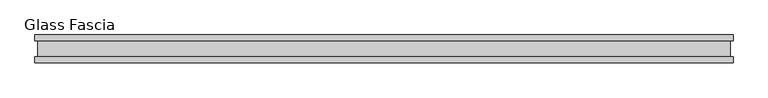
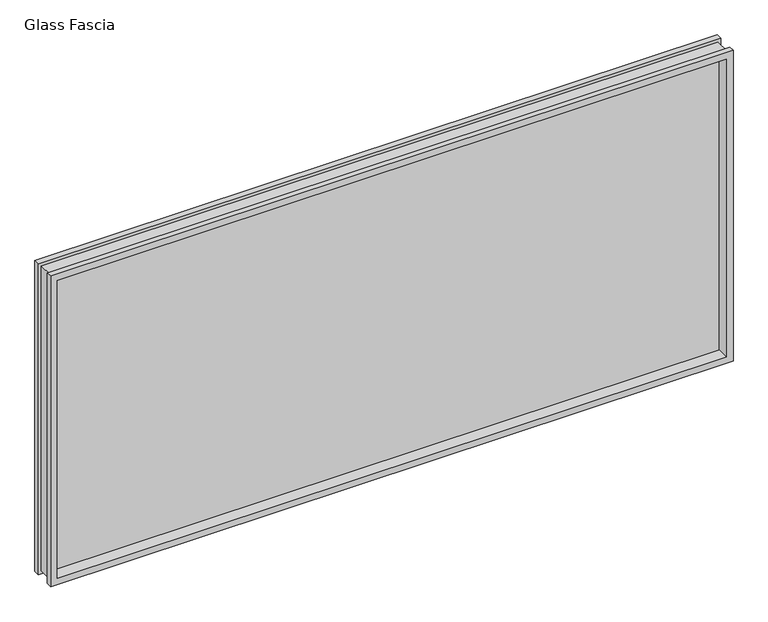
"""IFC4 building model written with IfcOpenShell, lengths in millimetres: proxy geometry, Glass Fascia."""

from ifc_helpers import new_model, si_unit, frame, origin, place, context, project, spatial, polyline, outline, extrude, faceted_brep, source, transform, mapped, element, save


def glass_fascia_b5f6f7ce(model_context):
    return source(origin(), model_context, "Body", "SolidModel", [
        faceted_brep([(1245.4046, -5.0827449, 1201.5625243), (1245.4046, 5.0827449, 1201.5625243), (1245.4046, 5.0827449, 17.6374757), (1245.4046, -5.0827449, 17.6374757), (1259.8670757, -28.8801202, 1216.025), (1259.8670757, -50.0558594, 1216.025), (1259.8670757, -50.0558594, 3.175), (1259.8670757, -28.8801202, 3.175), (1249.0420758, 28.2698798, 1205.2000001), (1249.0420758, -28.8801202, 1205.2000001), (1249.0420758, -28.8801202, 13.9999999), (1249.0420758, 28.2698798, 13.9999999), (1259.8670757, 50.0558594, 1216.025), (1259.8670757, 28.2698798, 1216.025), (1259.8670757, 28.2698798, 3.175), (1259.8670757, 50.0558594, 3.175), (-1245.4046, 5.0827449, 17.6374757), (-1245.4046, -5.0827449, 17.6374757), (-1259.8670757, -50.0558594, 3.175), (-1259.8670757, -28.8801202, 3.175), (-1249.0420758, -28.8801202, 13.9999999), (-1249.0420758, 28.2698798, 13.9999999), (-1259.8670757, 28.2698798, 3.175), (-1259.8670757, 50.0558594, 3.175), (-1245.4046, 5.0827449, 1201.5625243), (-1245.4046, -5.0827449, 1201.5625243), (-1259.8670757, -50.0558594, 1216.025), (-1259.8670757, -28.8801202, 1216.025), (-1249.0420758, -28.8801202, 1205.2000001), (-1249.0420758, 28.2698798, 1205.2000001), (-1259.8670757, 28.2698798, 1216.025), (-1259.8670757, 50.0558594, 1216.025), (1234.9144089, 50.0558594, 1191.0723332), (-1234.9144089, 50.0558594, 1191.0723332), (-1234.9144089, 50.0558594, 28.1276668), (1234.9144089, 50.0558594, 28.1276668), (1234.9144089, 5.0827449, 28.1276668), (-1234.9144089, 5.0827449, 28.1276668), (-1234.9144089, 5.0827449, 1191.0723332), (1234.9144089, 5.0827449, 1191.0723332), (1234.9144089, -5.0827449, 1191.0723332), (-1234.9144089, -5.0827449, 1191.0723332), (-1234.9144089, -5.0827449, 28.1276668), (1234.9144089, -5.0827449, 28.1276668), (1234.9144089, -50.0558594, 28.1276668), (-1234.9144089, -50.0558594, 28.1276668), (-1234.9144089, -50.0558594, 1191.0723332), (1234.9144089, -50.0558594, 1191.0723332)], [[[0, 1, 2, 3]], [[4, 5, 6, 7]], [[8, 9, 10, 11]], [[12, 13, 14, 15]], [[3, 2, 16, 17]], [[7, 6, 18, 19]], [[11, 10, 20, 21]], [[15, 14, 22, 23]], [[17, 16, 24, 25]], [[19, 18, 26, 27]], [[21, 20, 28, 29]], [[23, 22, 30, 31]], [[15, 23, 31, 12], [32, 33, 34, 35]], [[1, 24, 16, 2], [36, 37, 38, 39]], [[25, 24, 1, 0]], [[3, 17, 25, 0], [40, 41, 42, 43]], [[5, 26, 18, 6], [44, 45, 46, 47]], [[27, 26, 5, 4]], [[7, 19, 27, 4], [9, 28, 20, 10]], [[29, 28, 9, 8]], [[13, 30, 22, 14], [11, 21, 29, 8]], [[31, 30, 13, 12]], [[39, 32, 35, 36]], [[47, 40, 43, 44]], [[36, 35, 34, 37]], [[44, 43, 42, 45]], [[37, 34, 33, 38]], [[45, 42, 41, 46]], [[38, 33, 32, 39]], [[46, 41, 40, 47]]]),
        extrude(outline(polyline([(1245.4046, 2.9765625), (1245.4046, -2.9765625), (-1245.4046, -2.9765625), (-1245.4046, 2.9765625), (1245.4046, 2.9765625)])), frame((0.0, 0.0, 17.6374757), z_axis=(0.0, 0.0, 1.0), x_axis=(1.0, 0.0, 0.0)), (0.0, 0.0, 1.0), 1183.9250485),
    ])


if __name__ == "__main__":
    model = new_model("IFC4")
    model_context = context("Model", 3, world=origin())
    ifc_project = project(units=[si_unit("LENGTHUNIT", "METRE", prefix="MILLI")], contexts=[model_context])
    site = spatial("IfcSite", under=ifc_project)
    building = spatial("IfcBuilding", under=site)
    placement = place(None, origin())
    glass_fascia_shape = glass_fascia_b5f6f7ce(model_context)
    element("IfcBuildingElementProxy", 1, Name="Glass Fascia", ObjectType="Glass Fascia", at=placement, inside=building, context=model_context, shape_type="MappedRepresentation", body=[
        mapped(glass_fascia_shape, transform((0.0, 0.0, 0.0), x_axis=(1.0, 0.0, 0.0), y_axis=(0.0, 1.0, 0.0), z_axis=(0.0, 0.0, 1.0))),
    ])
    save(model, "model.ifc")
